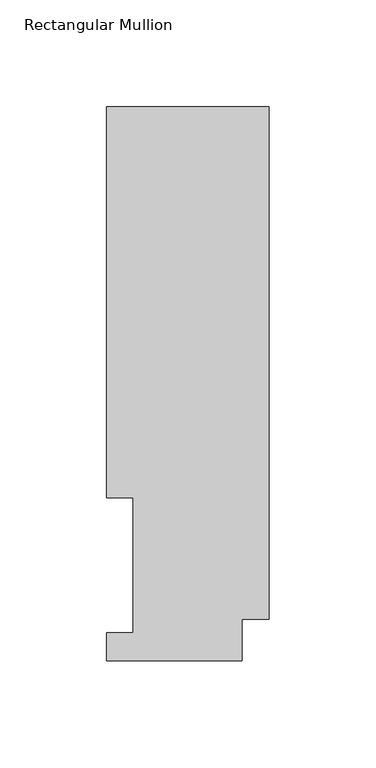
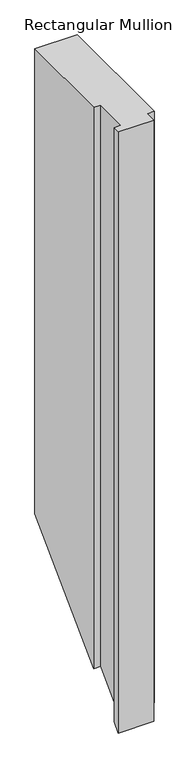
"""IFC4 building model written with IfcOpenShell, lengths in millimetres: member geometry, Rectangular Mullion."""

from ifc_helpers import new_model, si_unit, origin, place, context, project, spatial, faceted_brep, source, transform, mapped, element, save


def rectangular_mullion_a868d4e5(model_context):
    return source(origin(), model_context, "Body", "Brep", [
        faceted_brep([(0.0, 19.5088257, 0.0), (0.0, 259.4586188, 0.0), (-76.2, 259.4586188, 0.0), (-76.2, 76.2992187, 0.0), (-63.8581605, 76.2992187, 0.0), (-63.8581605, 13.1492189, 0.0), (-76.2, 13.1492189, 0.0), (-76.2, -0.0333811, 0.0), (-12.7, -0.0333811, 0.0), (-12.7, 19.5088257, 0.0), (0.0, 19.5088257, -1123.0085743), (0.0, 259.4586188, -883.0587813), (-76.2, 259.4586188, -883.0587813), (-76.2, 76.2992187, -1066.2181813), (-63.8581605, 76.2992187, -1066.2181813), (-63.8581605, 13.1492189, -1129.3681811), (-76.2, 13.1492189, -1129.3681811), (-76.2, -0.0333811, -1142.5507811), (-12.7, -0.0333811, -1142.5507811), (-12.7, 19.5088257, -1123.0085743)], [[[0, 1, 2, 3, 4, 5, 6, 7, 8, 9]], [[1, 0, 10, 11]], [[2, 1, 11, 12]], [[3, 2, 12, 13]], [[4, 3, 13, 14]], [[5, 4, 14, 15]], [[6, 5, 15, 16]], [[7, 6, 16, 17]], [[8, 7, 17, 18]], [[9, 8, 18, 19]], [[0, 9, 19, 10]], [[10, 19, 18, 17, 16, 15, 14, 13, 12, 11]]]),
    ])


if __name__ == "__main__":
    model = new_model("IFC4")
    model_context = context("Model", 3, world=origin())
    ifc_project = project(units=[si_unit("LENGTHUNIT", "METRE", prefix="MILLI")], contexts=[model_context])
    site = spatial("IfcSite", under=ifc_project)
    building = spatial("IfcBuilding", under=site)
    placement = place(None, origin())
    rectangular_mullion_shape = rectangular_mullion_a868d4e5(model_context)
    element("IfcMember", 1, ObjectType="Rectangular Mullion", at=placement, inside=building, context=model_context, shape_type="MappedRepresentation", body=[
        mapped(rectangular_mullion_shape, transform((0.0, 0.0, 0.0), x_axis=(1.0, 0.0, 0.0), y_axis=(0.0, 1.0, 0.0), z_axis=(0.0, 0.0, 1.0))),
    ])
    save(model, "model.ifc")
